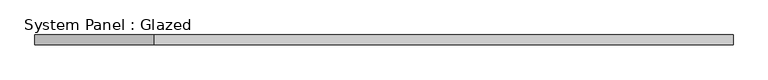
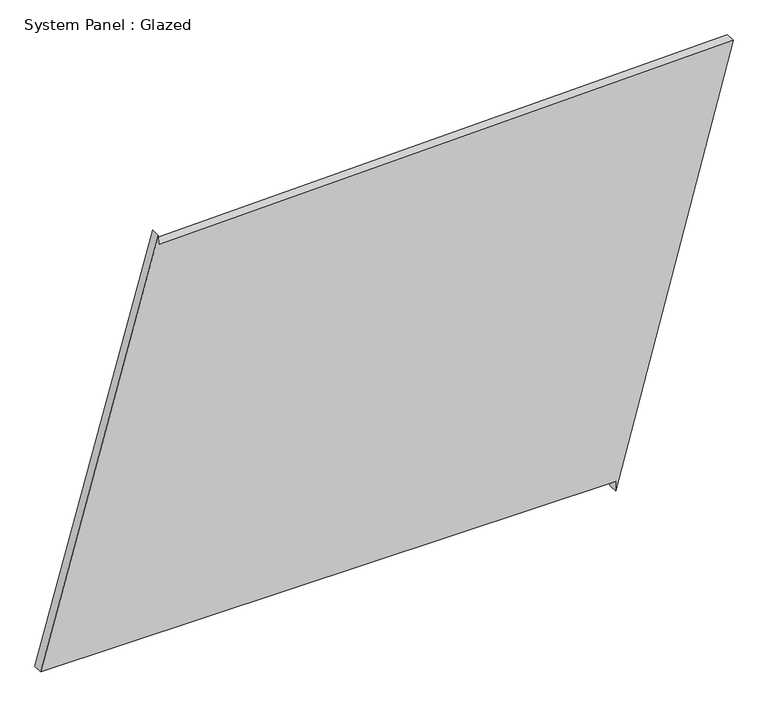
"""IFC4 building model written with IfcOpenShell, lengths in millimetres: plate geometry, System Panel : Glazed."""

import ifcopenshell
import ifcopenshell.guid

model = None  # the IFC model being written
_history = None  # IfcOwnerHistory: only IFC2X3 demands one
_inside = {}  # id of a spatial element -> (the spatial element, [elements in it])
_under = {}  # id of a project, library or spatial element -> (it, [spatial elements below it])
_declared = {}  # id of a project -> (the project, [libraries it declares])
_typed = {}  # id of a type object -> (the type object, [elements of that type])
_made_of = {}  # id of a material, layer set ... -> (it, [elements and type objects made of it])


def new_model(schema):
    """Start an empty IFC model of exactly this schema.

    Asked for "IFC4X3", IfcOpenShell would pick the latest addendum, in which some entities
    have other attributes; the version numbers below select the first issue.
    IFC2X3 requires an IfcOwnerHistory on every rooted entity: one is made here for all.
    """
    global model, _history
    if schema == "IFC4X3":
        model = ifcopenshell.file(schema_version=(4, 3, 0, 0))
    else:
        model = ifcopenshell.file(schema=schema)
    _inside.clear()
    _under.clear()
    _declared.clear()
    _typed.clear()
    _made_of.clear()
    _history = None
    if model.schema == "IFC2X3":
        org = make("IfcOrganization", Name="unknown")
        user = make(
            "IfcPersonAndOrganization",
            ThePerson=make("IfcPerson", FamilyName="unknown"),
            TheOrganization=org,
        )
        app = make(
            "IfcApplication",
            ApplicationDeveloper=org,
            Version="unknown",
            ApplicationFullName="unknown",
            ApplicationIdentifier="unknown",
        )
        _history = make(
            "IfcOwnerHistory",
            OwningUser=user,
            OwningApplication=app,
            ChangeAction="ADDED",
            CreationDate=0,
        )
    return model


def make(cls, **values):
    """One entity of the class cls with the attributes given. An attribute that is None is left unset."""
    return model.create_entity(
        cls, **{name: value for name, value in values.items() if value is not None}
    )


def rooted(cls, **values):
    """An entity with a GlobalId (a new one), such as an element, a storey or a relation."""
    return make(cls, GlobalId=ifcopenshell.guid.new(), OwnerHistory=_history, **values)


def si_unit(unit_type, name, prefix=None):
    """IfcSIUnit, for example si_unit("LENGTHUNIT", "METRE", prefix="MILLI")."""
    return make("IfcSIUnit", UnitType=unit_type, Prefix=prefix, Name=name)


def assignment(units):
    """IfcUnitAssignment: the units of a project."""
    return None if units is None else make("IfcUnitAssignment", Units=units)


def point(xyz):
    """IfcCartesianPoint."""
    return None if xyz is None else make("IfcCartesianPoint", Coordinates=xyz)


def direction(xyz):
    """IfcDirection."""
    return None if xyz is None else make("IfcDirection", DirectionRatios=xyz)


def frame(location, z_axis=None, x_axis=None):
    """IfcAxis2Placement3D, a coordinate frame: its origin and axes. An axis left out is left unset."""
    return make(
        "IfcAxis2Placement3D",
        Location=point(location),
        Axis=direction(z_axis),
        RefDirection=direction(x_axis),
    )


def origin():
    """The frame at (0, 0, 0) with its axes left unset."""
    return frame((0.0, 0.0, 0.0))


def place(relative_to, where):
    """IfcLocalPlacement: puts the frame where relative to a parent placement (None: the world)."""
    return make(
        "IfcLocalPlacement", PlacementRelTo=relative_to, RelativePlacement=where
    )


def context(
    kind, dimensions, precision=None, world=None, true_north=None, identifier=None
):
    """IfcGeometricRepresentationContext, for example the 3D "Model" context."""
    return make(
        "IfcGeometricRepresentationContext",
        ContextIdentifier=identifier,
        ContextType=kind,
        CoordinateSpaceDimension=dimensions,
        Precision=precision,
        WorldCoordinateSystem=world,
        TrueNorth=true_north,
    )


def project(units=None, contexts=None):
    """IfcProject with its units and contexts."""
    return rooted(
        "IfcProject",
        Name="project",
        RepresentationContexts=contexts,
        UnitsInContext=assignment(units),
    )


def spatial(cls, under=None, at=None, **own):
    """A site, building, storey or space (cls), placed at a placement, below another one or the project."""
    s = rooted(cls, ObjectPlacement=at, **own)
    if under is not None:
        _under.setdefault(under.id(), (under, []))[1].append(s)
    return s


def polyline(points):
    """IfcPolyline through the points."""
    return make("IfcPolyline", Points=[point(p) for p in points])


def outline(outer, holes=None, kind="AREA"):
    """IfcArbitraryClosedProfileDef: a profile drawn as a closed curve; with holes, ...WithVoids."""
    if holes is None:
        return make("IfcArbitraryClosedProfileDef", ProfileType=kind, OuterCurve=outer)
    return make(
        "IfcArbitraryProfileDefWithVoids",
        ProfileType=kind,
        OuterCurve=outer,
        InnerCurves=holes,
    )


def extrude(swept, where, along, depth):
    """IfcExtrudedAreaSolid: the profile swept, set in the frame where, extruded along a direction by depth."""
    return make(
        "IfcExtrudedAreaSolid",
        SweptArea=swept,
        Position=where,
        ExtrudedDirection=direction(along),
        Depth=depth,
    )


def shape(context_of_items, identifier, shape_type, items):
    """IfcShapeRepresentation: the items that make up one representation, for example the "Body"."""
    return make(
        "IfcShapeRepresentation",
        ContextOfItems=context_of_items,
        RepresentationIdentifier=identifier,
        RepresentationType=shape_type,
        Items=items,
    )


def source(mapping_origin, context_of_items, identifier, shape_type, items):
    """IfcRepresentationMap: a shape defined once, which mapped items show again and again."""
    return make(
        "IfcRepresentationMap",
        MappingOrigin=mapping_origin,
        MappedRepresentation=shape(context_of_items, identifier, shape_type, items),
    )


def transform(
    local_origin,
    x_axis=None,
    y_axis=None,
    z_axis=None,
    scale=None,
    scale2=None,
    scale3=None,
    uniform=True,
):
    """IfcCartesianTransformationOperator3D, or its non-uniform kind. x_axis, y_axis, z_axis: its Axis1, 2, 3."""
    if uniform:
        return make(
            "IfcCartesianTransformationOperator3D",
            Axis1=direction(x_axis),
            Axis2=direction(y_axis),
            LocalOrigin=point(local_origin),
            Scale=scale,
            Axis3=direction(z_axis),
        )
    return make(
        "IfcCartesianTransformationOperator3DnonUniform",
        Axis1=direction(x_axis),
        Axis2=direction(y_axis),
        LocalOrigin=point(local_origin),
        Scale=scale,
        Axis3=direction(z_axis),
        Scale2=scale2,
        Scale3=scale3,
    )


def mapped(mapping_source, mapping_target):
    """IfcMappedItem: shows the shape of a source again, moved by a transform."""
    return make(
        "IfcMappedItem", MappingSource=mapping_source, MappingTarget=mapping_target
    )


def made_of(thing, what):
    """Note that an element or type object is made of a material, layer set ...; save() writes the relation."""
    if what is not None:
        _made_of.setdefault(what.id(), (what, []))[1].append(thing)
    return thing


def element(
    cls,
    number,
    at=None,
    inside=None,
    cuts=None,
    type_object=None,
    material=None,
    context=None,
    identifier="Body",
    shape_type=None,
    held_by="IfcProductDefinitionShape",
    body=None,
    shapes=None,
    **own,
):
    """One element of the class cls, such as IfcWall. Its Tag is "e" and its number.

    at: its placement. inside: the storey or other place that contains it. cuts: it is an
    opening in that element (IfcRelVoidsElement). A single representation is given by context,
    identifier, shape_type and body (its items); several are given by shapes. held_by: the class
    of the entity that holds the representations. save() writes the other relations.
    """
    e = rooted(cls, Tag="e%d" % number, ObjectPlacement=at, **own)
    if body is not None:
        shapes = [shape(context, identifier, shape_type, body)]
    if shapes is not None:
        e.Representation = make(held_by, Representations=shapes)
    if inside is not None:
        _inside.setdefault(inside.id(), (inside, []))[1].append(e)
    if cuts is not None:
        rooted(
            "IfcRelVoidsElement", RelatingBuildingElement=cuts, RelatedOpeningElement=e
        )
    if type_object is not None:
        _typed.setdefault(type_object.id(), (type_object, []))[1].append(e)
    return made_of(e, material)


def aggregate(whole, parts):
    """IfcRelAggregates: a whole, such as a stair, and the parts it consists of."""
    return rooted("IfcRelAggregates", RelatingObject=whole, RelatedObjects=parts)


def save(model, path):
    """Write the relations noted so far, then the file.

    IfcRelAggregates (storeys below a building ...), IfcRelContainedInSpatialStructure (elements
    in a storey), IfcRelDefinesByType, IfcRelAssociatesMaterial and IfcRelDeclares: one each for
    every whole, place, type object, material and project.
    """
    for whole, parts in _under.values():
        aggregate(whole, parts)
    for where, things in _inside.values():
        rooted(
            "IfcRelContainedInSpatialStructure",
            RelatedElements=things,
            RelatingStructure=where,
        )
    for kind, things in _typed.values():
        rooted("IfcRelDefinesByType", RelatedObjects=things, RelatingType=kind)
    for what, things in _made_of.values():
        rooted("IfcRelAssociatesMaterial", RelatedObjects=things, RelatingMaterial=what)
    for by, libraries in _declared.values():
        rooted("IfcRelDeclares", RelatingContext=by, RelatedDefinitions=libraries)
    model.write(path)


def system_panel_glazed_e1e0d82a(model_context):
    return source(origin(), model_context, "Body", "SweptSolid", [
        extrude(outline(polyline([(25.0, 589.8371954), (0.0, 589.8371954), (1122.0663876, 892.7446337), (1083.1848439, -588.4013813), (1108.1762344, -589.05743), (25.0, -892.7446337), (25.0, 589.8371954)])), frame((0.0, -49.5, 0.0), z_axis=(0.0, 1.0, 0.0), x_axis=(0.0, 0.0, 1.0)), (0.0, 0.0, 1.0), 25.0),
    ])


if __name__ == "__main__":
    model = new_model("IFC4")
    model_context = context("Model", 3, world=origin())
    ifc_project = project(units=[si_unit("LENGTHUNIT", "METRE", prefix="MILLI")], contexts=[model_context])
    site = spatial("IfcSite", under=ifc_project)
    building = spatial("IfcBuilding", under=site)
    placement = place(None, origin())
    system_panel_glazed_shape = system_panel_glazed_e1e0d82a(model_context)
    element("IfcPlate", 1, ObjectType="System Panel : Glazed", at=placement, inside=building, context=model_context, shape_type="MappedRepresentation", body=[
        mapped(system_panel_glazed_shape, transform((0.0, 0.0, 0.0), x_axis=(1.0, 0.0, 0.0), y_axis=(0.0, 1.0, 0.0), z_axis=(0.0, 0.0, 1.0))),
    ])
    save(model, "model.ifc")
